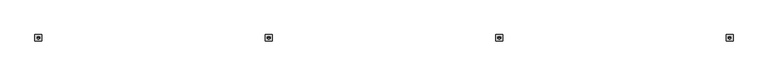
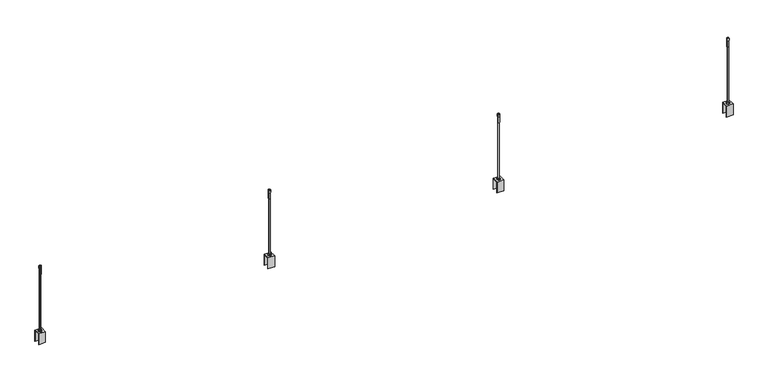
"""IFC4 building model written with IfcOpenShell, lengths in millimetres: proxy geometry."""

from ifc_helpers import new_model, si_unit, point, frame, frame_2d, origin, origin_2d, place, context, project, spatial, polyline, circle_curve, trimmed, segment, composite_curve, outline, extrude, source, transform, mapped, element, save
from ifc_brep_helpers import plane_surface, cylinder_surface, revolved_surface, advanced_brep


def generic_models_3e9f09a7(model_context):
    return source(origin(), model_context, "Body", "SolidModel", [
        advanced_brep(
        [(3000.0, 0.0, 351.2678879), (2995.2681778, 0.0, 350.0), (3004.7318222, 0.0, 350.0), (3003.671637, 0.0, 311.9964405), (2996.328363, 0.0, 311.9964405), (3000.0, 0.0, 311.9964405), (3003.671637, 0.0, 340.5379079), (2996.328363, 0.0, 340.5379079), (3004.7318222, 0.0, 340.5379079), (2995.2681778, 0.0, 340.5379079)],
        [
            (0, 1),
            (1, 2, circle_curve(frame((3000.0, 0.0, 350.0), z_axis=(0.0, 0.0, 1.0), x_axis=(-1.0, 0.0, 0.0)), 4.7318222)),
            (2, 0),
            (2, 1, circle_curve(frame((3000.0, 0.0, 350.0), z_axis=(0.0, 0.0, 1.0), x_axis=(-1.0, 0.0, 0.0)), 4.7318222)),
            (3, 4, circle_curve(frame((3000.0, 0.0, 311.9964405), z_axis=(0.0, 0.0, -1.0), x_axis=(-1.0, 0.0, 0.0)), 3.671637)),
            (4, 5),
            (5, 3),
            (4, 3, circle_curve(frame((3000.0, 0.0, 311.9964405), z_axis=(0.0, 0.0, -1.0), x_axis=(-1.0, 0.0, 0.0)), 3.671637)),
            (6, 7, circle_curve(frame((3000.0, 0.0, 340.5379079), z_axis=(0.0, 0.0, -1.0), x_axis=(-1.0, 0.0, 0.0)), 3.671637)),
            (7, 4),
            (3, 6),
            (7, 6, circle_curve(frame((3000.0, 0.0, 340.5379079), z_axis=(0.0, 0.0, -1.0), x_axis=(-1.0, 0.0, 0.0)), 3.671637)),
            (8, 9, circle_curve(frame((3000.0, 0.0, 340.5379079), z_axis=(0.0, 0.0, -1.0), x_axis=(-1.0, 0.0, 0.0)), 4.7318222)),
            (9, 7),
            (6, 8),
            (9, 8, circle_curve(frame((3000.0, 0.0, 340.5379079), z_axis=(0.0, 0.0, -1.0), x_axis=(-1.0, 0.0, 0.0)), 4.7318222)),
            (1, 9),
            (8, 2),
        ],
        [
            revolved_surface(polyline([(2995.2681778, 0.0, 350.0), (3000.0, 0.0, 351.2678879)]), (3000.0, 0.0, 319.8947141), (0.0, 0.0, 1.0)),
            plane_surface(frame((3000.0, 0.0, 311.9964405), z_axis=(0.0, 0.0, -1.0), x_axis=(-1.0, 0.0, 0.0))),
            cylinder_surface(frame((3000.0, 0.0, 319.8947141), z_axis=(0.0, 0.0, 1.0), x_axis=(-1.0, 0.0, 0.0)), 3.671637),
            plane_surface(frame((3000.0, 0.0, 340.5379079), z_axis=(0.0, 0.0, -1.0), x_axis=(-1.0, 0.0, 0.0))),
            cylinder_surface(frame((3000.0, 0.0, 319.8947141), z_axis=(0.0, 0.0, 1.0), x_axis=(-1.0, 0.0, 0.0)), 4.7318222),
        ],
        [
            (0, [[1, 2, 3]]),
            (0, [[-3, 4, -1]]),
            (1, [[5, 6, 7]]),
            (1, [[8, -7, -6]]),
            (2, [[9, 10, -5, 11]]),
            (2, [[12, -11, -8, -10]]),
            (3, [[13, 14, -9, 15]]),
            (3, [[16, -15, -12, -14]]),
            (4, [[-2, 17, -13, 18]]),
            (4, [[-4, -18, -16, -17]]),
        ],
    ),
        extrude(outline(polyline([(3000.0, 6.6082069), (3005.722875, 3.3041034), (3005.722875, -3.3041034), (3000.0, -6.6082069), (2994.277125, -3.3041034), (2994.277125, 3.3041034), (3000.0, 6.6082069)]), holes=[composite_curve([segment(trimmed(circle_curve(frame_2d((3000.0, 0.0)), 3.0), [point((3003.0, 0.0))], [point((2997.0, 0.0))], True, "CARTESIAN"), True, "CONTINUOUS"), segment(trimmed(circle_curve(frame_2d((3000.0, 0.0)), 3.0), [point((2997.0, 0.0))], [point((3003.0, 0.0))], True, "CARTESIAN"), True, "CONTINUOUS")], self_intersect=False)]), frame((0.0, 0.0, 50.0), z_axis=(0.0, 0.0, 1.0), x_axis=(1.0, 0.0, 0.0)), (0.0, 0.0, 1.0), 5.0),
        extrude(outline(composite_curve([segment(trimmed(circle_curve(frame_2d((3000.0, 0.0)), 7.6155736), [point((3007.6155736, 0.0))], [point((2992.3844264, 0.0))], False, "CARTESIAN"), True, "CONTINUOUS"), segment(trimmed(circle_curve(frame_2d((3000.0, 0.0)), 7.6155736), [point((2992.3844264, 0.0))], [point((3007.6155736, 0.0))], False, "CARTESIAN"), True, "CONTINUOUS")], self_intersect=False), holes=[composite_curve([segment(trimmed(circle_curve(frame_2d((3000.0, 0.0)), 3.0), [point((3003.0, 0.0))], [point((2997.0, 0.0))], True, "CARTESIAN"), True, "CONTINUOUS"), segment(trimmed(circle_curve(frame_2d((3000.0, 0.0)), 3.0), [point((2997.0, 0.0))], [point((3003.0, 0.0))], True, "CARTESIAN"), True, "CONTINUOUS")], self_intersect=False)]), frame((0.0, 0.0, 48.2), z_axis=(0.0, 0.0, 1.0), x_axis=(1.0, 0.0, 0.0)), (0.0, 0.0, 1.0), 1.0),
        extrude(outline(polyline([(3000.0, 6.6082069), (3005.722875, 3.3041034), (3005.722875, -3.3041034), (3000.0, -6.6082069), (2994.277125, -3.3041034), (2994.277125, 3.3041034), (3000.0, 6.6082069)]), holes=[composite_curve([segment(trimmed(circle_curve(frame_2d((3000.0, 0.0)), 3.0), [point((3003.0, 0.0))], [point((2997.0, 0.0))], True, "CARTESIAN"), True, "CONTINUOUS"), segment(trimmed(circle_curve(frame_2d((3000.0, 0.0)), 3.0), [point((2997.0, 0.0))], [point((3003.0, 0.0))], True, "CARTESIAN"), True, "CONTINUOUS")], self_intersect=False)]), frame((0.0, 0.0, 43.2), z_axis=(0.0, 0.0, 1.0), x_axis=(1.0, 0.0, 0.0)), (0.0, 0.0, 1.0), 5.0),
        extrude(outline(polyline([(-14.0, 50.0), (14.0, 50.0), (14.0, 0.0), (13.2, 0.0), (13.2, 49.2), (-13.2, 49.2), (-13.2, 0.0), (-14.0, 0.0), (-14.0, 50.0)])), frame((2985.0, 0.0, 0.0), z_axis=(1.0, 0.0, 0.0), x_axis=(0.0, 1.0, 0.0)), (0.0, 0.0, 1.0), 30.0),
        extrude(outline(composite_curve([segment(trimmed(circle_curve(frame_2d((3000.0, 0.0)), 3.0), [point((3003.0, 0.0))], [point((2997.0, 0.0))], False, "CARTESIAN"), True, "CONTINUOUS"), segment(trimmed(circle_curve(frame_2d((3000.0, 0.0)), 3.0), [point((2997.0, 0.0))], [point((3003.0, 0.0))], False, "CARTESIAN"), True, "CONTINUOUS")], self_intersect=False)), frame((0.0, 0.0, 41.7099982), z_axis=(0.0, 0.0, 1.0), x_axis=(1.0, 0.0, 0.0)), (0.0, 0.0, 1.0), 308.2900018),
        advanced_brep(
        [(2000.0, 0.0, 351.2678879), (1995.2681778, 0.0, 350.0), (2004.7318222, 0.0, 350.0), (2003.671637, 0.0, 311.9964405), (1996.328363, 0.0, 311.9964405), (2000.0, 0.0, 311.9964405), (2003.671637, 0.0, 340.5379079), (1996.328363, 0.0, 340.5379079), (2004.7318222, 0.0, 340.5379079), (1995.2681778, 0.0, 340.5379079)],
        [
            (0, 1),
            (1, 2, circle_curve(frame((2000.0, 0.0, 350.0), z_axis=(0.0, 0.0, 1.0), x_axis=(-1.0, 0.0, 0.0)), 4.7318222)),
            (2, 0),
            (2, 1, circle_curve(frame((2000.0, 0.0, 350.0), z_axis=(0.0, 0.0, 1.0), x_axis=(-1.0, 0.0, 0.0)), 4.7318222)),
            (3, 4, circle_curve(frame((2000.0, 0.0, 311.9964405), z_axis=(0.0, 0.0, -1.0), x_axis=(-1.0, 0.0, 0.0)), 3.671637)),
            (4, 5),
            (5, 3),
            (4, 3, circle_curve(frame((2000.0, 0.0, 311.9964405), z_axis=(0.0, 0.0, -1.0), x_axis=(-1.0, 0.0, 0.0)), 3.671637)),
            (6, 7, circle_curve(frame((2000.0, 0.0, 340.5379079), z_axis=(0.0, 0.0, -1.0), x_axis=(-1.0, 0.0, 0.0)), 3.671637)),
            (7, 4),
            (3, 6),
            (7, 6, circle_curve(frame((2000.0, 0.0, 340.5379079), z_axis=(0.0, 0.0, -1.0), x_axis=(-1.0, 0.0, 0.0)), 3.671637)),
            (8, 9, circle_curve(frame((2000.0, 0.0, 340.5379079), z_axis=(0.0, 0.0, -1.0), x_axis=(-1.0, 0.0, 0.0)), 4.7318222)),
            (9, 7),
            (6, 8),
            (9, 8, circle_curve(frame((2000.0, 0.0, 340.5379079), z_axis=(0.0, 0.0, -1.0), x_axis=(-1.0, 0.0, 0.0)), 4.7318222)),
            (1, 9),
            (8, 2),
        ],
        [
            revolved_surface(polyline([(1995.2681778, 0.0, 350.0), (2000.0, 0.0, 351.2678879)]), (2000.0, 0.0, 319.8947141), (0.0, 0.0, 1.0)),
            plane_surface(frame((2000.0, 0.0, 311.9964405), z_axis=(0.0, 0.0, -1.0), x_axis=(-1.0, 0.0, 0.0))),
            cylinder_surface(frame((2000.0, 0.0, 319.8947141), z_axis=(0.0, 0.0, 1.0), x_axis=(-1.0, 0.0, 0.0)), 3.671637),
            plane_surface(frame((2000.0, 0.0, 340.5379079), z_axis=(0.0, 0.0, -1.0), x_axis=(-1.0, 0.0, 0.0))),
            cylinder_surface(frame((2000.0, 0.0, 319.8947141), z_axis=(0.0, 0.0, 1.0), x_axis=(-1.0, 0.0, 0.0)), 4.7318222),
        ],
        [
            (0, [[1, 2, 3]]),
            (0, [[-3, 4, -1]]),
            (1, [[5, 6, 7]]),
            (1, [[8, -7, -6]]),
            (2, [[9, 10, -5, 11]]),
            (2, [[12, -11, -8, -10]]),
            (3, [[13, 14, -9, 15]]),
            (3, [[16, -15, -12, -14]]),
            (4, [[-2, 17, -13, 18]]),
            (4, [[-4, -18, -16, -17]]),
        ],
    ),
        extrude(outline(polyline([(2000.0, 6.6082069), (2005.722875, 3.3041034), (2005.722875, -3.3041034), (2000.0, -6.6082069), (1994.277125, -3.3041034), (1994.277125, 3.3041034), (2000.0, 6.6082069)]), holes=[composite_curve([segment(trimmed(circle_curve(frame_2d((2000.0, 0.0)), 3.0), [point((2003.0, 0.0))], [point((1997.0, 0.0))], True, "CARTESIAN"), True, "CONTINUOUS"), segment(trimmed(circle_curve(frame_2d((2000.0, 0.0)), 3.0), [point((1997.0, 0.0))], [point((2003.0, 0.0))], True, "CARTESIAN"), True, "CONTINUOUS")], self_intersect=False)]), frame((0.0, 0.0, 50.0), z_axis=(0.0, 0.0, 1.0), x_axis=(1.0, 0.0, 0.0)), (0.0, 0.0, 1.0), 5.0),
        extrude(outline(composite_curve([segment(trimmed(circle_curve(frame_2d((2000.0, 0.0)), 7.6155736), [point((2007.6155736, 0.0))], [point((1992.3844264, 0.0))], False, "CARTESIAN"), True, "CONTINUOUS"), segment(trimmed(circle_curve(frame_2d((2000.0, 0.0)), 7.6155736), [point((1992.3844264, 0.0))], [point((2007.6155736, 0.0))], False, "CARTESIAN"), True, "CONTINUOUS")], self_intersect=False), holes=[composite_curve([segment(trimmed(circle_curve(frame_2d((2000.0, 0.0)), 3.0), [point((2003.0, 0.0))], [point((1997.0, 0.0))], True, "CARTESIAN"), True, "CONTINUOUS"), segment(trimmed(circle_curve(frame_2d((2000.0, 0.0)), 3.0), [point((1997.0, 0.0))], [point((2003.0, 0.0))], True, "CARTESIAN"), True, "CONTINUOUS")], self_intersect=False)]), frame((0.0, 0.0, 48.2), z_axis=(0.0, 0.0, 1.0), x_axis=(1.0, 0.0, 0.0)), (0.0, 0.0, 1.0), 1.0),
        extrude(outline(polyline([(2000.0, 6.6082069), (2005.722875, 3.3041034), (2005.722875, -3.3041034), (2000.0, -6.6082069), (1994.277125, -3.3041034), (1994.277125, 3.3041034), (2000.0, 6.6082069)]), holes=[composite_curve([segment(trimmed(circle_curve(frame_2d((2000.0, 0.0)), 3.0), [point((2003.0, 0.0))], [point((1997.0, 0.0))], True, "CARTESIAN"), True, "CONTINUOUS"), segment(trimmed(circle_curve(frame_2d((2000.0, 0.0)), 3.0), [point((1997.0, 0.0))], [point((2003.0, 0.0))], True, "CARTESIAN"), True, "CONTINUOUS")], self_intersect=False)]), frame((0.0, 0.0, 43.2), z_axis=(0.0, 0.0, 1.0), x_axis=(1.0, 0.0, 0.0)), (0.0, 0.0, 1.0), 5.0),
        extrude(outline(polyline([(-14.0, 50.0), (14.0, 50.0), (14.0, 0.0), (13.2, 0.0), (13.2, 49.2), (-13.2, 49.2), (-13.2, 0.0), (-14.0, 0.0), (-14.0, 50.0)])), frame((1985.0, 0.0, 0.0), z_axis=(1.0, 0.0, 0.0), x_axis=(0.0, 1.0, 0.0)), (0.0, 0.0, 1.0), 30.0),
        extrude(outline(composite_curve([segment(trimmed(circle_curve(frame_2d((2000.0, 0.0)), 3.0), [point((2003.0, 0.0))], [point((1997.0, 0.0))], False, "CARTESIAN"), True, "CONTINUOUS"), segment(trimmed(circle_curve(frame_2d((2000.0, 0.0)), 3.0), [point((1997.0, 0.0))], [point((2003.0, 0.0))], False, "CARTESIAN"), True, "CONTINUOUS")], self_intersect=False)), frame((0.0, 0.0, 41.7099982), z_axis=(0.0, 0.0, 1.0), x_axis=(1.0, 0.0, 0.0)), (0.0, 0.0, 1.0), 308.2900018),
        advanced_brep(
        [(1000.0, 0.0, 351.2678879), (995.2681778, 0.0, 350.0), (1004.7318222, 0.0, 350.0), (1003.671637, 0.0, 311.9964405), (996.328363, 0.0, 311.9964405), (1000.0, 0.0, 311.9964405), (1003.671637, 0.0, 340.5379079), (996.328363, 0.0, 340.5379079), (1004.7318222, 0.0, 340.5379079), (995.2681778, 0.0, 340.5379079)],
        [
            (0, 1),
            (1, 2, circle_curve(frame((1000.0, 0.0, 350.0), z_axis=(0.0, 0.0, 1.0), x_axis=(-1.0, 0.0, 0.0)), 4.7318222)),
            (2, 0),
            (2, 1, circle_curve(frame((1000.0, 0.0, 350.0), z_axis=(0.0, 0.0, 1.0), x_axis=(-1.0, 0.0, 0.0)), 4.7318222)),
            (3, 4, circle_curve(frame((1000.0, 0.0, 311.9964405), z_axis=(0.0, 0.0, -1.0), x_axis=(-1.0, 0.0, 0.0)), 3.671637)),
            (4, 5),
            (5, 3),
            (4, 3, circle_curve(frame((1000.0, 0.0, 311.9964405), z_axis=(0.0, 0.0, -1.0), x_axis=(-1.0, 0.0, 0.0)), 3.671637)),
            (6, 7, circle_curve(frame((1000.0, 0.0, 340.5379079), z_axis=(0.0, 0.0, -1.0), x_axis=(-1.0, 0.0, 0.0)), 3.671637)),
            (7, 4),
            (3, 6),
            (7, 6, circle_curve(frame((1000.0, 0.0, 340.5379079), z_axis=(0.0, 0.0, -1.0), x_axis=(-1.0, 0.0, 0.0)), 3.671637)),
            (8, 9, circle_curve(frame((1000.0, 0.0, 340.5379079), z_axis=(0.0, 0.0, -1.0), x_axis=(-1.0, 0.0, 0.0)), 4.7318222)),
            (9, 7),
            (6, 8),
            (9, 8, circle_curve(frame((1000.0, 0.0, 340.5379079), z_axis=(0.0, 0.0, -1.0), x_axis=(-1.0, 0.0, 0.0)), 4.7318222)),
            (1, 9),
            (8, 2),
        ],
        [
            revolved_surface(polyline([(995.2681778, 0.0, 350.0), (1000.0, 0.0, 351.2678879)]), (1000.0, 0.0, 319.8947141), (0.0, 0.0, 1.0)),
            plane_surface(frame((1000.0, 0.0, 311.9964405), z_axis=(0.0, 0.0, -1.0), x_axis=(-1.0, 0.0, 0.0))),
            cylinder_surface(frame((1000.0, 0.0, 319.8947141), z_axis=(0.0, 0.0, 1.0), x_axis=(-1.0, 0.0, 0.0)), 3.671637),
            plane_surface(frame((1000.0, 0.0, 340.5379079), z_axis=(0.0, 0.0, -1.0), x_axis=(-1.0, 0.0, 0.0))),
            cylinder_surface(frame((1000.0, 0.0, 319.8947141), z_axis=(0.0, 0.0, 1.0), x_axis=(-1.0, 0.0, 0.0)), 4.7318222),
        ],
        [
            (0, [[1, 2, 3]]),
            (0, [[-3, 4, -1]]),
            (1, [[5, 6, 7]]),
            (1, [[8, -7, -6]]),
            (2, [[9, 10, -5, 11]]),
            (2, [[12, -11, -8, -10]]),
            (3, [[13, 14, -9, 15]]),
            (3, [[16, -15, -12, -14]]),
            (4, [[-2, 17, -13, 18]]),
            (4, [[-4, -18, -16, -17]]),
        ],
    ),
        extrude(outline(polyline([(1000.0, 6.6082069), (1005.722875, 3.3041034), (1005.722875, -3.3041034), (1000.0, -6.6082069), (994.277125, -3.3041034), (994.277125, 3.3041034), (1000.0, 6.6082069)]), holes=[composite_curve([segment(trimmed(circle_curve(frame_2d((1000.0, 0.0)), 3.0), [point((1003.0, 0.0))], [point((997.0, 0.0))], True, "CARTESIAN"), True, "CONTINUOUS"), segment(trimmed(circle_curve(frame_2d((1000.0, 0.0)), 3.0), [point((997.0, 0.0))], [point((1003.0, 0.0))], True, "CARTESIAN"), True, "CONTINUOUS")], self_intersect=False)]), frame((0.0, 0.0, 50.0), z_axis=(0.0, 0.0, 1.0), x_axis=(1.0, 0.0, 0.0)), (0.0, 0.0, 1.0), 5.0),
        extrude(outline(composite_curve([segment(trimmed(circle_curve(frame_2d((1000.0, 0.0)), 7.6155736), [point((1007.6155736, 0.0))], [point((992.3844264, 0.0))], False, "CARTESIAN"), True, "CONTINUOUS"), segment(trimmed(circle_curve(frame_2d((1000.0, 0.0)), 7.6155736), [point((992.3844264, 0.0))], [point((1007.6155736, 0.0))], False, "CARTESIAN"), True, "CONTINUOUS")], self_intersect=False), holes=[composite_curve([segment(trimmed(circle_curve(frame_2d((1000.0, 0.0)), 3.0), [point((1003.0, 0.0))], [point((997.0, 0.0))], True, "CARTESIAN"), True, "CONTINUOUS"), segment(trimmed(circle_curve(frame_2d((1000.0, 0.0)), 3.0), [point((997.0, 0.0))], [point((1003.0, 0.0))], True, "CARTESIAN"), True, "CONTINUOUS")], self_intersect=False)]), frame((0.0, 0.0, 48.2), z_axis=(0.0, 0.0, 1.0), x_axis=(1.0, 0.0, 0.0)), (0.0, 0.0, 1.0), 1.0),
        extrude(outline(polyline([(1000.0, 6.6082069), (1005.722875, 3.3041034), (1005.722875, -3.3041034), (1000.0, -6.6082069), (994.277125, -3.3041034), (994.277125, 3.3041034), (1000.0, 6.6082069)]), holes=[composite_curve([segment(trimmed(circle_curve(frame_2d((1000.0, 0.0)), 3.0), [point((1003.0, 0.0))], [point((997.0, 0.0))], True, "CARTESIAN"), True, "CONTINUOUS"), segment(trimmed(circle_curve(frame_2d((1000.0, 0.0)), 3.0), [point((997.0, 0.0))], [point((1003.0, 0.0))], True, "CARTESIAN"), True, "CONTINUOUS")], self_intersect=False)]), frame((0.0, 0.0, 43.2), z_axis=(0.0, 0.0, 1.0), x_axis=(1.0, 0.0, 0.0)), (0.0, 0.0, 1.0), 5.0),
        extrude(outline(polyline([(-14.0, 50.0), (14.0, 50.0), (14.0, 0.0), (13.2, 0.0), (13.2, 49.2), (-13.2, 49.2), (-13.2, 0.0), (-14.0, 0.0), (-14.0, 50.0)])), frame((985.0, 0.0, 0.0), z_axis=(1.0, 0.0, 0.0), x_axis=(0.0, 1.0, 0.0)), (0.0, 0.0, 1.0), 30.0),
        extrude(outline(composite_curve([segment(trimmed(circle_curve(frame_2d((1000.0, 0.0)), 3.0), [point((1003.0, 0.0))], [point((997.0, 0.0))], False, "CARTESIAN"), True, "CONTINUOUS"), segment(trimmed(circle_curve(frame_2d((1000.0, 0.0)), 3.0), [point((997.0, 0.0))], [point((1003.0, 0.0))], False, "CARTESIAN"), True, "CONTINUOUS")], self_intersect=False)), frame((0.0, 0.0, 41.7099982), z_axis=(0.0, 0.0, 1.0), x_axis=(1.0, 0.0, 0.0)), (0.0, 0.0, 1.0), 308.2900018),
        advanced_brep(
        [(0.0, 0.0, 351.2678879), (-4.7318222, 0.0, 350.0), (4.7318222, 0.0, 350.0), (3.671637, 0.0, 311.9964405), (-3.671637, 0.0, 311.9964405), (0.0, 0.0, 311.9964405), (3.671637, 0.0, 340.5379079), (-3.671637, 0.0, 340.5379079), (4.7318222, 0.0, 340.5379079), (-4.7318222, 0.0, 340.5379079)],
        [
            (0, 1),
            (1, 2, circle_curve(frame((0.0, 0.0, 350.0), z_axis=(0.0, 0.0, 1.0), x_axis=(-1.0, 0.0, 0.0)), 4.7318222)),
            (2, 0),
            (2, 1, circle_curve(frame((0.0, 0.0, 350.0), z_axis=(0.0, 0.0, 1.0), x_axis=(-1.0, 0.0, 0.0)), 4.7318222)),
            (3, 4, circle_curve(frame((0.0, 0.0, 311.9964405), z_axis=(0.0, 0.0, -1.0), x_axis=(-1.0, 0.0, 0.0)), 3.671637)),
            (4, 5),
            (5, 3),
            (4, 3, circle_curve(frame((0.0, 0.0, 311.9964405), z_axis=(0.0, 0.0, -1.0), x_axis=(-1.0, 0.0, 0.0)), 3.671637)),
            (6, 7, circle_curve(frame((0.0, 0.0, 340.5379079), z_axis=(0.0, 0.0, -1.0), x_axis=(-1.0, 0.0, 0.0)), 3.671637)),
            (7, 4),
            (3, 6),
            (7, 6, circle_curve(frame((0.0, 0.0, 340.5379079), z_axis=(0.0, 0.0, -1.0), x_axis=(-1.0, 0.0, 0.0)), 3.671637)),
            (8, 9, circle_curve(frame((0.0, 0.0, 340.5379079), z_axis=(0.0, 0.0, -1.0), x_axis=(-1.0, 0.0, 0.0)), 4.7318222)),
            (9, 7),
            (6, 8),
            (9, 8, circle_curve(frame((0.0, 0.0, 340.5379079), z_axis=(0.0, 0.0, -1.0), x_axis=(-1.0, 0.0, 0.0)), 4.7318222)),
            (1, 9),
            (8, 2),
        ],
        [
            revolved_surface(polyline([(-4.7318222, 0.0, 350.0), (0.0, 0.0, 351.2678879)]), (0.0, 0.0, 319.8947141), (0.0, 0.0, 1.0)),
            plane_surface(frame((0.0, 0.0, 311.9964405), z_axis=(0.0, 0.0, -1.0), x_axis=(-1.0, 0.0, 0.0))),
            cylinder_surface(frame((0.0, 0.0, 319.8947141), z_axis=(0.0, 0.0, 1.0), x_axis=(-1.0, 0.0, 0.0)), 3.671637),
            plane_surface(frame((0.0, 0.0, 340.5379079), z_axis=(0.0, 0.0, -1.0), x_axis=(-1.0, 0.0, 0.0))),
            cylinder_surface(frame((0.0, 0.0, 319.8947141), z_axis=(0.0, 0.0, 1.0), x_axis=(-1.0, 0.0, 0.0)), 4.7318222),
        ],
        [
            (0, [[1, 2, 3]]),
            (0, [[-3, 4, -1]]),
            (1, [[5, 6, 7]]),
            (1, [[8, -7, -6]]),
            (2, [[9, 10, -5, 11]]),
            (2, [[12, -11, -8, -10]]),
            (3, [[13, 14, -9, 15]]),
            (3, [[16, -15, -12, -14]]),
            (4, [[-2, 17, -13, 18]]),
            (4, [[-4, -18, -16, -17]]),
        ],
    ),
        extrude(outline(polyline([(0.0, 6.6082069), (5.722875, 3.3041034), (5.722875, -3.3041034), (0.0, -6.6082069), (-5.722875, -3.3041034), (-5.722875, 3.3041034), (0.0, 6.6082069)]), holes=[composite_curve([segment(trimmed(circle_curve(origin_2d(), 3.0), [point((3.0, 0.0))], [point((-3.0, 0.0))], True, "CARTESIAN"), True, "CONTINUOUS"), segment(trimmed(circle_curve(origin_2d(), 3.0), [point((-3.0, 0.0))], [point((3.0, 0.0))], True, "CARTESIAN"), True, "CONTINUOUS")], self_intersect=False)]), frame((0.0, 0.0, 50.0), z_axis=(0.0, 0.0, 1.0), x_axis=(1.0, 0.0, 0.0)), (0.0, 0.0, 1.0), 5.0),
        extrude(outline(composite_curve([segment(trimmed(circle_curve(origin_2d(), 7.6155736), [point((7.6155736, 0.0))], [point((-7.6155736, 0.0))], False, "CARTESIAN"), True, "CONTINUOUS"), segment(trimmed(circle_curve(origin_2d(), 7.6155736), [point((-7.6155736, 0.0))], [point((7.6155736, 0.0))], False, "CARTESIAN"), True, "CONTINUOUS")], self_intersect=False), holes=[composite_curve([segment(trimmed(circle_curve(origin_2d(), 3.0), [point((3.0, 0.0))], [point((-3.0, 0.0))], True, "CARTESIAN"), True, "CONTINUOUS"), segment(trimmed(circle_curve(origin_2d(), 3.0), [point((-3.0, 0.0))], [point((3.0, 0.0))], True, "CARTESIAN"), True, "CONTINUOUS")], self_intersect=False)]), frame((0.0, 0.0, 48.2), z_axis=(0.0, 0.0, 1.0), x_axis=(1.0, 0.0, 0.0)), (0.0, 0.0, 1.0), 1.0),
        extrude(outline(polyline([(0.0, 6.6082069), (5.722875, 3.3041034), (5.722875, -3.3041034), (0.0, -6.6082069), (-5.722875, -3.3041034), (-5.722875, 3.3041034), (0.0, 6.6082069)]), holes=[composite_curve([segment(trimmed(circle_curve(origin_2d(), 3.0), [point((3.0, 0.0))], [point((-3.0, 0.0))], True, "CARTESIAN"), True, "CONTINUOUS"), segment(trimmed(circle_curve(origin_2d(), 3.0), [point((-3.0, 0.0))], [point((3.0, 0.0))], True, "CARTESIAN"), True, "CONTINUOUS")], self_intersect=False)]), frame((0.0, 0.0, 43.2), z_axis=(0.0, 0.0, 1.0), x_axis=(1.0, 0.0, 0.0)), (0.0, 0.0, 1.0), 5.0),
        extrude(outline(polyline([(-14.0, 50.0), (14.0, 50.0), (14.0, 0.0), (13.2, 0.0), (13.2, 49.2), (-13.2, 49.2), (-13.2, 0.0), (-14.0, 0.0), (-14.0, 50.0)])), frame((-15.0, 0.0, 0.0), z_axis=(1.0, 0.0, 0.0), x_axis=(0.0, 1.0, 0.0)), (0.0, 0.0, 1.0), 30.0),
        extrude(outline(composite_curve([segment(trimmed(circle_curve(origin_2d(), 3.0), [point((3.0, 0.0))], [point((-3.0, 0.0))], False, "CARTESIAN"), True, "CONTINUOUS"), segment(trimmed(circle_curve(origin_2d(), 3.0), [point((-3.0, 0.0))], [point((3.0, 0.0))], False, "CARTESIAN"), True, "CONTINUOUS")], self_intersect=False)), frame((0.0, 0.0, 41.7099982), z_axis=(0.0, 0.0, 1.0), x_axis=(1.0, 0.0, 0.0)), (0.0, 0.0, 1.0), 308.2900018),
    ])


if __name__ == "__main__":
    model = new_model("IFC4")
    model_context = context("Model", 3, world=origin())
    ifc_project = project(units=[si_unit("LENGTHUNIT", "METRE", prefix="MILLI")], contexts=[model_context])
    site = spatial("IfcSite", under=ifc_project)
    building = spatial("IfcBuilding", under=site)
    placement = place(None, origin())
    generic_models_shape = generic_models_3e9f09a7(model_context)
    element("IfcBuildingElementProxy", 1, Name="Generic Models", at=placement, inside=building, context=model_context, shape_type="MappedRepresentation", body=[
        mapped(generic_models_shape, transform((0.0, 0.0, 0.0), x_axis=(1.0, 0.0, 0.0), y_axis=(0.0, 1.0, 0.0), z_axis=(0.0, 0.0, 1.0))),
    ])
    save(model, "model.ifc")
